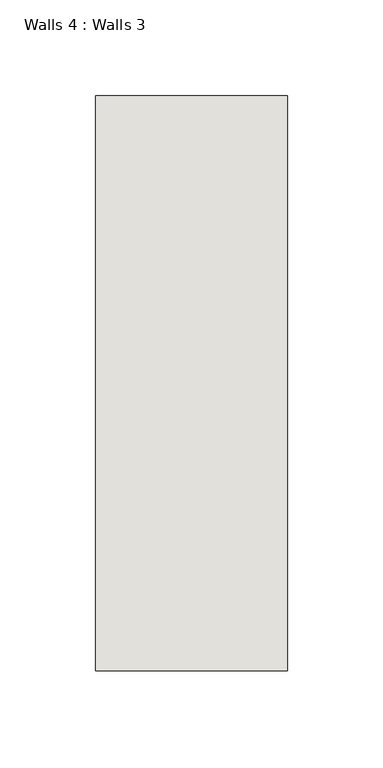
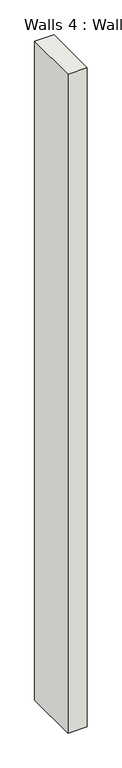
"""IFC4 building model written with IfcOpenShell, lengths in millimetres: wall geometry, Walls 4 : Walls 3."""

from ifc_helpers import new_model, si_unit, origin, origin_with_axes, place, context, project, spatial, polyline, outline, extrude, source, transform, mapped, element, save


def walls_4_walls_3_7e09be12(model_context):
    return source(origin(), model_context, "Body", "SweptSolid", [
        extrude(outline(polyline([(-8412.3812655, 1518.41264), (-8412.3812655, 1818.41264), (-8312.3812655, 1818.41264), (-8312.3812655, 1518.41264), (-8412.3812655, 1518.41264)])), origin_with_axes(), (0.0, 0.0, 1.0), 3637.600683),
    ])


if __name__ == "__main__":
    model = new_model("IFC4")
    model_context = context("Model", 3, world=origin())
    ifc_project = project(units=[si_unit("LENGTHUNIT", "METRE", prefix="MILLI")], contexts=[model_context])
    site = spatial("IfcSite", under=ifc_project)
    building = spatial("IfcBuilding", under=site)
    placement = place(None, origin())
    walls_4_walls_3_shape = walls_4_walls_3_7e09be12(model_context)
    element("IfcWall", 1, ObjectType="Walls 4 : Walls 3", at=placement, inside=building, context=model_context, shape_type="MappedRepresentation", body=[
        mapped(walls_4_walls_3_shape, transform((0.0, 0.0, 0.0), x_axis=(1.0, 0.0, 0.0), y_axis=(0.0, 1.0, 0.0), z_axis=(0.0, 0.0, 1.0))),
    ])
    save(model, "model.ifc")
